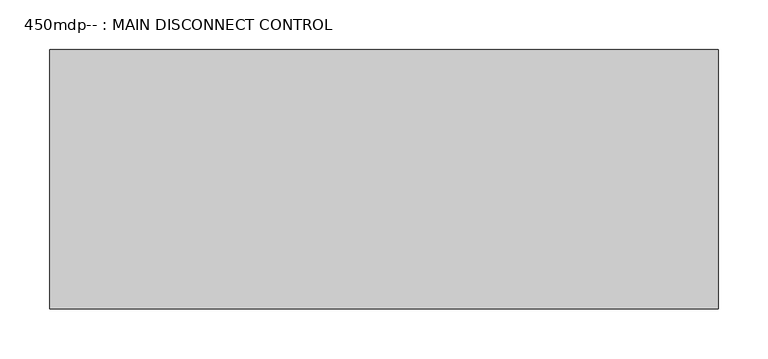
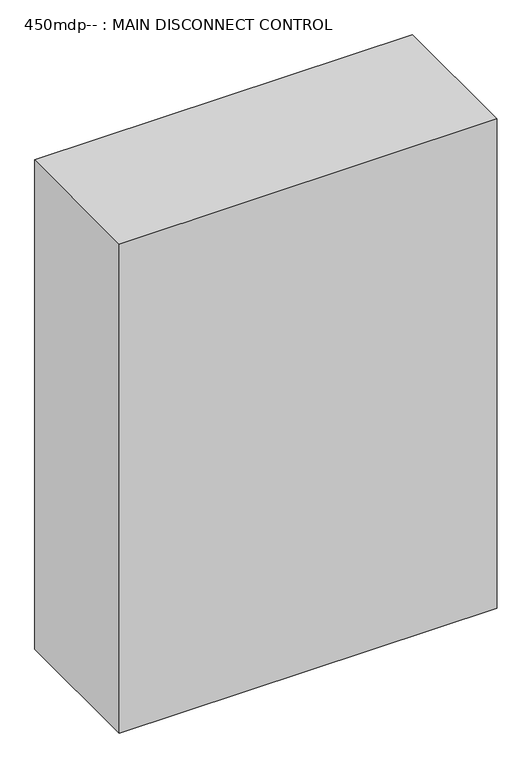
"""IFC4 building model written with IfcOpenShell, lengths in millimetres: proxy geometry, 450mdp-- : MAIN DISCONNECT CONTROL."""

from ifc_helpers import new_model, si_unit, frame, origin, place, context, project, spatial, polyline, outline, extrude, source, transform, mapped, element, save


def proxy_450mdp_main_disconnect_control_b7bd5172(model_context):
    return source(origin(), model_context, "Body", "SweptSolid", [
        extrude(outline(polyline([(-111.6511378, 626.0249791), (-111.6511378, 885.1049791), (556.3688622, 885.1049791), (556.3688622, 626.0249791), (-111.6511378, 626.0249791)])), frame((0.0, 0.0, 1159.6519803), z_axis=(0.0, 0.0, 1.0), x_axis=(1.0, 0.0, 0.0)), (0.0, 0.0, 1.0), 914.4),
    ])


if __name__ == "__main__":
    model = new_model("IFC4")
    model_context = context("Model", 3, world=origin())
    ifc_project = project(units=[si_unit("LENGTHUNIT", "METRE", prefix="MILLI")], contexts=[model_context])
    site = spatial("IfcSite", under=ifc_project)
    building = spatial("IfcBuilding", under=site)
    placement = place(None, origin())
    proxy_450mdp_main_disconnect_control_shape = proxy_450mdp_main_disconnect_control_b7bd5172(model_context)
    element("IfcBuildingElementProxy", 1, Name="450mdp-- : MAIN DISCONNECT CONTROL", ObjectType="450mdp-- : MAIN DISCONNECT CONTROL", at=placement, inside=building, context=model_context, shape_type="MappedRepresentation", body=[
        mapped(proxy_450mdp_main_disconnect_control_shape, transform((0.0, 0.0, 0.0), x_axis=(1.0, 0.0, 0.0), y_axis=(0.0, 1.0, 0.0), z_axis=(0.0, 0.0, 1.0))),
    ])
    save(model, "model.ifc")
